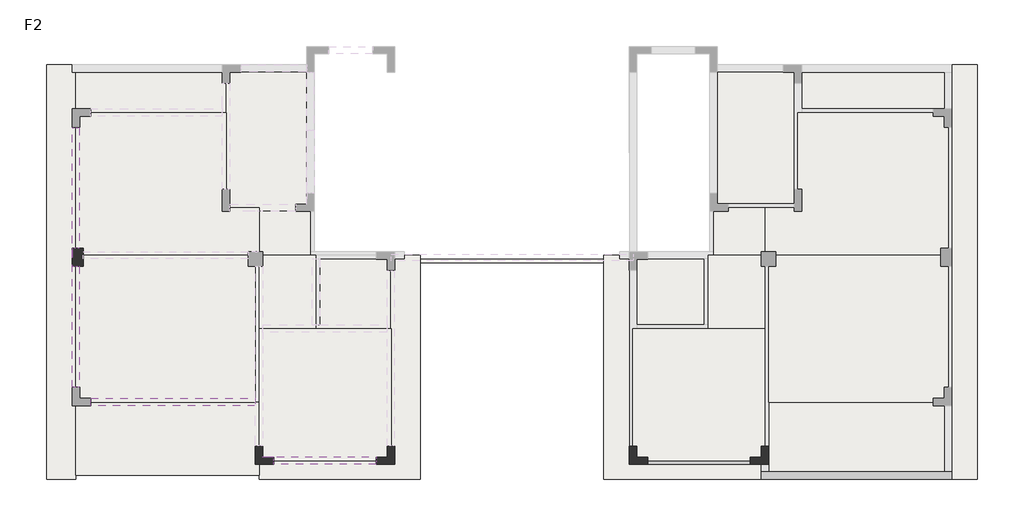
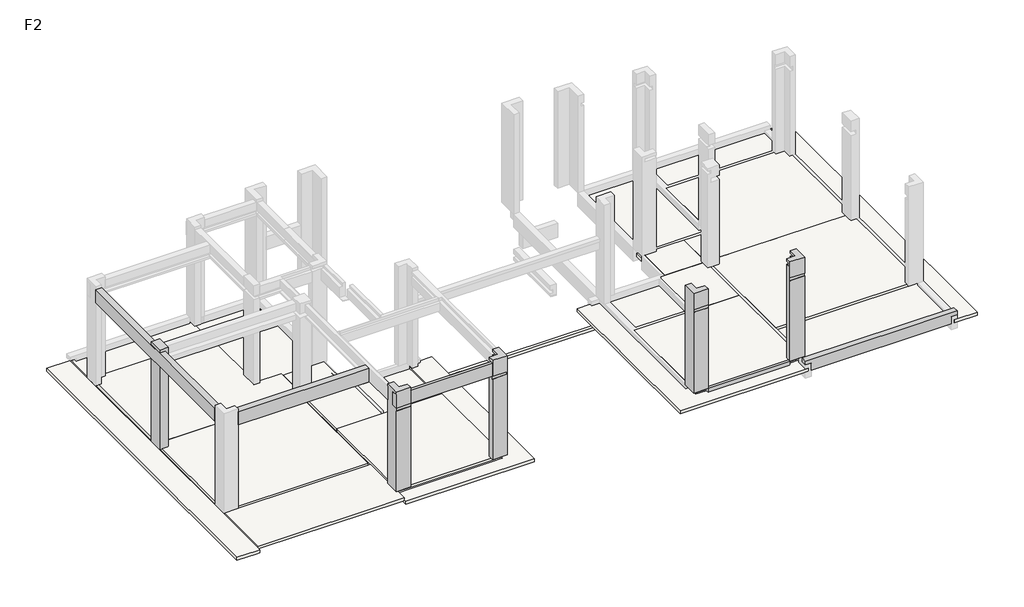
# One storey, part 1 of 3: 19 slabs, 5 beams, 5 columns.
"""IFC4 building model written with IfcOpenShell, lengths in millimetres."""

import ifcopenshell
import ifcopenshell.guid

model = None  # the IFC model being written
_history = None  # IfcOwnerHistory: only IFC2X3 demands one
_inside = {}  # id of a spatial element -> (the spatial element, [elements in it])
_under = {}  # id of a project, library or spatial element -> (it, [spatial elements below it])
_declared = {}  # id of a project -> (the project, [libraries it declares])
_typed = {}  # id of a type object -> (the type object, [elements of that type])
_made_of = {}  # id of a material, layer set ... -> (it, [elements and type objects made of it])


def new_model(schema):
    """Start an empty IFC model of exactly this schema.

    Asked for "IFC4X3", IfcOpenShell would pick the latest addendum, in which some entities
    have other attributes; the version numbers below select the first issue.
    IFC2X3 requires an IfcOwnerHistory on every rooted entity: one is made here for all.
    """
    global model, _history
    if schema == "IFC4X3":
        model = ifcopenshell.file(schema_version=(4, 3, 0, 0))
    else:
        model = ifcopenshell.file(schema=schema)
    _inside.clear()
    _under.clear()
    _declared.clear()
    _typed.clear()
    _made_of.clear()
    _history = None
    if model.schema == "IFC2X3":
        org = make("IfcOrganization", Name="unknown")
        user = make(
            "IfcPersonAndOrganization",
            ThePerson=make("IfcPerson", FamilyName="unknown"),
            TheOrganization=org,
        )
        app = make(
            "IfcApplication",
            ApplicationDeveloper=org,
            Version="unknown",
            ApplicationFullName="unknown",
            ApplicationIdentifier="unknown",
        )
        _history = make(
            "IfcOwnerHistory",
            OwningUser=user,
            OwningApplication=app,
            ChangeAction="ADDED",
            CreationDate=0,
        )
    return model


def make(cls, **values):
    """One entity of the class cls with the attributes given. An attribute that is None is left unset."""
    return model.create_entity(
        cls, **{name: value for name, value in values.items() if value is not None}
    )


def rooted(cls, **values):
    """An entity with a GlobalId (a new one), such as an element, a storey or a relation."""
    return make(cls, GlobalId=ifcopenshell.guid.new(), OwnerHistory=_history, **values)


def si_unit(unit_type, name, prefix=None):
    """IfcSIUnit, for example si_unit("LENGTHUNIT", "METRE", prefix="MILLI")."""
    return make("IfcSIUnit", UnitType=unit_type, Prefix=prefix, Name=name)


def assignment(units):
    """IfcUnitAssignment: the units of a project."""
    return None if units is None else make("IfcUnitAssignment", Units=units)


def point(xyz):
    """IfcCartesianPoint."""
    return None if xyz is None else make("IfcCartesianPoint", Coordinates=xyz)


def direction(xyz):
    """IfcDirection."""
    return None if xyz is None else make("IfcDirection", DirectionRatios=xyz)


def frame(location, z_axis=None, x_axis=None):
    """IfcAxis2Placement3D, a coordinate frame: its origin and axes. An axis left out is left unset."""
    return make(
        "IfcAxis2Placement3D",
        Location=point(location),
        Axis=direction(z_axis),
        RefDirection=direction(x_axis),
    )


def origin():
    """The frame at (0, 0, 0) with its axes left unset."""
    return frame((0.0, 0.0, 0.0))


def place(relative_to, where):
    """IfcLocalPlacement: puts the frame where relative to a parent placement (None: the world)."""
    return make(
        "IfcLocalPlacement", PlacementRelTo=relative_to, RelativePlacement=where
    )


def context(
    kind, dimensions, precision=None, world=None, true_north=None, identifier=None
):
    """IfcGeometricRepresentationContext, for example the 3D "Model" context."""
    return make(
        "IfcGeometricRepresentationContext",
        ContextIdentifier=identifier,
        ContextType=kind,
        CoordinateSpaceDimension=dimensions,
        Precision=precision,
        WorldCoordinateSystem=world,
        TrueNorth=true_north,
    )


def project(units=None, contexts=None):
    """IfcProject with its units and contexts."""
    return rooted(
        "IfcProject",
        Name="project",
        RepresentationContexts=contexts,
        UnitsInContext=assignment(units),
    )


def spatial(cls, under=None, at=None, **own):
    """A site, building, storey or space (cls), placed at a placement, below another one or the project."""
    s = rooted(cls, ObjectPlacement=at, **own)
    if under is not None:
        _under.setdefault(under.id(), (under, []))[1].append(s)
    return s


def polyline(points):
    """IfcPolyline through the points."""
    return make("IfcPolyline", Points=[point(p) for p in points])


def outline(outer, holes=None, kind="AREA"):
    """IfcArbitraryClosedProfileDef: a profile drawn as a closed curve; with holes, ...WithVoids."""
    if holes is None:
        return make("IfcArbitraryClosedProfileDef", ProfileType=kind, OuterCurve=outer)
    return make(
        "IfcArbitraryProfileDefWithVoids",
        ProfileType=kind,
        OuterCurve=outer,
        InnerCurves=holes,
    )


def extrude(swept, where, along, depth):
    """IfcExtrudedAreaSolid: the profile swept, set in the frame where, extruded along a direction by depth."""
    return make(
        "IfcExtrudedAreaSolid",
        SweptArea=swept,
        Position=where,
        ExtrudedDirection=direction(along),
        Depth=depth,
    )


def faces_of(points, faces, orient=None, outer=None):
    """IfcFace entities. A face is a list of loops; a loop is a list of indices into points, from 0.

    orient and outer hold one flag for each loop. By default every Orientation is true, the
    first loop of a face is its IfcFaceOuterBound and the others are IfcFaceBound.
    """
    made = []
    for i, loops in enumerate(faces):
        bounds = []
        for j, loop in enumerate(loops):
            is_outer = j == 0 if outer is None else outer[i][j]
            bounds.append(
                make(
                    "IfcFaceOuterBound" if is_outer else "IfcFaceBound",
                    Bound=make("IfcPolyLoop", Polygon=[points[k] for k in loop]),
                    Orientation=True if orient is None else orient[i][j],
                )
            )
        made.append(make("IfcFace", Bounds=bounds))
    return made


def faceted_brep(points, faces, orient=None, outer=None, voids=None):
    """IfcFacetedBrep: a solid bounded by flat faces; with voids (closed shells), ...WithVoids."""
    shared = [point(p) for p in points]
    hull = make("IfcClosedShell", CfsFaces=faces_of(shared, faces, orient, outer))
    if voids is None:
        return make("IfcFacetedBrep", Outer=hull)
    return make(
        "IfcFacetedBrepWithVoids",
        Outer=hull,
        Voids=[
            make(cls, CfsFaces=faces_of(shared, fs, o, b)) for cls, fs, o, b in voids
        ],
    )


def shape(context_of_items, identifier, shape_type, items):
    """IfcShapeRepresentation: the items that make up one representation, for example the "Body"."""
    return make(
        "IfcShapeRepresentation",
        ContextOfItems=context_of_items,
        RepresentationIdentifier=identifier,
        RepresentationType=shape_type,
        Items=items,
    )


def made_of(thing, what):
    """Note that an element or type object is made of a material, layer set ...; save() writes the relation."""
    if what is not None:
        _made_of.setdefault(what.id(), (what, []))[1].append(thing)
    return thing


def element(
    cls,
    number,
    at=None,
    inside=None,
    cuts=None,
    type_object=None,
    material=None,
    context=None,
    identifier="Body",
    shape_type=None,
    held_by="IfcProductDefinitionShape",
    body=None,
    shapes=None,
    **own,
):
    """One element of the class cls, such as IfcWall. Its Tag is "e" and its number.

    at: its placement. inside: the storey or other place that contains it. cuts: it is an
    opening in that element (IfcRelVoidsElement). A single representation is given by context,
    identifier, shape_type and body (its items); several are given by shapes. held_by: the class
    of the entity that holds the representations. save() writes the other relations.
    """
    e = rooted(cls, Tag="e%d" % number, ObjectPlacement=at, **own)
    if body is not None:
        shapes = [shape(context, identifier, shape_type, body)]
    if shapes is not None:
        e.Representation = make(held_by, Representations=shapes)
    if inside is not None:
        _inside.setdefault(inside.id(), (inside, []))[1].append(e)
    if cuts is not None:
        rooted(
            "IfcRelVoidsElement", RelatingBuildingElement=cuts, RelatedOpeningElement=e
        )
    if type_object is not None:
        _typed.setdefault(type_object.id(), (type_object, []))[1].append(e)
    return made_of(e, material)


def aggregate(whole, parts):
    """IfcRelAggregates: a whole, such as a stair, and the parts it consists of."""
    return rooted("IfcRelAggregates", RelatingObject=whole, RelatedObjects=parts)


def save(model, path):
    """Write the relations noted so far, then the file.

    IfcRelAggregates (storeys below a building ...), IfcRelContainedInSpatialStructure (elements
    in a storey), IfcRelDefinesByType, IfcRelAssociatesMaterial and IfcRelDeclares: one each for
    every whole, place, type object, material and project.
    """
    for whole, parts in _under.values():
        aggregate(whole, parts)
    for where, things in _inside.values():
        rooted(
            "IfcRelContainedInSpatialStructure",
            RelatedElements=things,
            RelatingStructure=where,
        )
    for kind, things in _typed.values():
        rooted("IfcRelDefinesByType", RelatedObjects=things, RelatingType=kind)
    for what, things in _made_of.values():
        rooted("IfcRelAssociatesMaterial", RelatedObjects=things, RelatingMaterial=what)
    for by, libraries in _declared.values():
        rooted("IfcRelDeclares", RelatingContext=by, RelatedDefinitions=libraries)
    model.write(path)


model = new_model("IFC4")

# Units and contexts
model_context = context("Model", 3, world=origin())
ifc_project = project(units=[si_unit("LENGTHUNIT", "METRE", prefix="MILLI")], contexts=[model_context])

# Site, building, storey
site = spatial("IfcSite", under=ifc_project)
building = spatial("IfcBuilding", under=site)
storey = spatial("IfcBuildingStorey", under=building, Name="F2", Elevation=3560.0)

# Beams
placement = place(None, origin())
element("IfcBeam", 1, at=placement, inside=storey, context=model_context, shape_type="Brep", body=[
    faceted_brep([(2632.0886236, -1948.3046203, 3700.0), (2632.0886236, -2148.3046203, 3700.0), (7836.2868177, -2148.3046203, 3700.0), (7836.2868177, -1948.3046203, 3700.0), (2632.0886236, -2148.3046203, 3560.0), (2832.0886236, -2148.3046203, 3560.0), (2832.0886236, -2148.3046203, 3300.0), (7636.2868177, -2148.3046203, 3300.0), (7636.2868177, -2148.3046203, 3560.0), (7836.2868177, -2148.3046203, 3560.0), (2832.0886236, -1948.3046203, 3300.0), (7636.2868177, -1948.3046203, 3300.0), (2832.0886236, -1948.3046203, 3380.0), (7636.2868177, -1948.3046203, 3380.0), (2632.0886236, -1948.3046203, 3560.0), (2832.0886236, -1948.3046203, 3560.0), (2832.0886236, -1948.3046203, 3480.0), (2832.0886236, -2048.3046203, 3480.0), (2832.0886236, -2048.3046203, 3380.0), (7636.2868177, -2048.3046203, 3380.0), (7636.2868177, -1948.3046203, 3480.0), (7636.2868177, -2048.3046203, 3480.0), (7636.2868177, -1948.3046203, 3560.0), (7836.2868177, -1948.3046203, 3560.0)], [[[0, 1, 2, 3]], [[2, 1, 4, 5, 6, 7, 8, 9]], [[6, 10, 11, 7]], [[10, 12, 13, 11]], [[14, 15, 5, 4]], [[10, 6, 5, 15, 16, 17, 18, 12]], [[12, 18, 19, 13]], [[17, 16, 20, 21]], [[18, 17, 21, 19]], [[8, 22, 23, 9]], [[22, 8, 7, 11, 13, 19, 21, 20]], [[15, 14, 0, 3, 23, 22, 20, 16]], [[1, 0, 14, 4]], [[3, 2, 9, 23]]]),
])
element("IfcBeam", 2, at=placement, inside=storey, context=model_context, shape_type="Brep", body=[
    faceted_brep([(2332.0511192, -1741.2496913, 3560.0), (2332.0511192, -1648.0607162, 3560.0), (-467.9488808, -1648.0607162, 3560.0), (-467.9488808, -1741.2496913, 3560.0), (2332.0511192, -1741.2496913, 3410.0), (-467.9488808, -1741.2496913, 3410.0), (2632.0886236, -1541.2496913, 3080.0), (2632.0886236, -1548.8070515, 3080.0), (2332.0511192, -1548.8070515, 3080.0), (2332.0511192, -1741.2496913, 3080.0), (-467.9488808, -1741.2496913, 3080.0), (-467.9488808, -1548.812102, 3080.0), (-767.9488808, -1548.812102, 3080.0), (-767.9488808, -1541.2496913, 3080.0), (2632.0886236, -1541.2496913, 3460.0), (-767.9488808, -1541.2496913, 3460.0), (2332.0511192, -1648.812102, 3410.0), (-467.9488808, -1648.812102, 3410.0), (2332.0511192, -1648.812102, 3300.0), (-467.9488808, -1648.812102, 3300.0), (2332.0511192, -1741.2496913, 3300.0), (-467.9488808, -1741.2496913, 3300.0), (2632.0886236, -1548.8070515, 3460.0), (-767.9488808, -1548.812102, 3460.0), (-467.9488808, -1548.812102, 3460.0), (-467.9488808, -1648.0607162, 3460.0), (2332.0511192, -1648.0607162, 3460.0), (2332.0511192, -1548.8070515, 3460.0)], [[[0, 1, 2, 3]], [[4, 0, 3, 5]], [[6, 7, 8, 9, 10, 11, 12, 13]], [[14, 6, 13, 15]], [[16, 4, 5, 17]], [[18, 16, 17, 19]], [[20, 18, 19, 21]], [[22, 14, 15, 23, 24, 25, 26, 27]], [[1, 26, 25, 2]], [[6, 14, 22, 7]], [[9, 20, 21, 10]], [[27, 8, 7, 22]], [[8, 27, 26, 1, 0, 4, 16, 18, 20, 9]], [[12, 23, 15, 13]], [[23, 12, 11, 24]], [[24, 11, 10, 21, 19, 17, 5, 3, 2, 25]]]),
])
element("IfcBeam", 3, ObjectType="KL4 200 x 480 mm", at=placement, inside=storey, context=model_context, shape_type="Brep", body=[
    faceted_brep([(-7876.6077811, -1741.2496913, 7060.0), (-7876.6077811, -1648.0607162, 7060.0), (-10667.9488808, -1648.0607162, 7060.0), (-10667.9488808, -1741.2496913, 7060.0), (-7876.6077811, -1741.2496913, 6580.0), (-10667.9488808, -1741.2496913, 6580.0), (-7876.6077811, -1541.2496913, 6580.0), (-10667.9488808, -1548.8070515, 6580.0), (-10967.9488808, -1548.8070515, 6580.0), (-10967.9488808, -1541.2496913, 6580.0), (-7876.6077811, -1541.2496913, 6960.0), (-10967.9488808, -1541.2496913, 6960.0), (-7876.6077811, -1648.0607162, 6960.0), (-10967.9488808, -1548.8070515, 6960.0), (-10667.9488808, -1548.8070515, 6960.0), (-10667.9488808, -1648.0607162, 6960.0)], [[[0, 1, 2, 3]], [[4, 0, 3, 5]], [[6, 4, 5, 7, 8, 9]], [[10, 6, 9, 11]], [[12, 10, 11, 13, 14, 15]], [[1, 12, 15, 2]], [[0, 4, 6, 10, 12, 1]], [[8, 13, 11, 9]], [[13, 8, 7, 14]], [[14, 7, 5, 3, 2, 15]]]),
    faceted_brep([(-11172.1847994, -1741.2496913, 7060.0), (-11172.1847994, -1541.2496913, 7060.0), (-11172.1847994, -1541.2496913, 6580.0), (-11172.1847994, -1741.2496913, 6580.0), (-11167.9488808, -1541.2496913, 7060.0), (-11167.9488808, -1741.2496913, 7060.0), (-11167.9488808, -1741.2496913, 6580.0), (-11167.9488808, -1541.2496913, 6580.0)], [[[0, 1, 2, 3]], [[4, 5, 6, 7]], [[1, 0, 5, 4]], [[0, 3, 6, 5]], [[3, 2, 7, 6]], [[2, 1, 4, 7]]]),
])
element("IfcBeam", 4, ObjectType="WKL6 200 x 480 mm", at=placement, inside=storey, context=model_context, shape_type="SweptSolid", body=[
    extrude(outline(polyline([(-148.812102, 7060.0), (51.187898, 7060.0), (51.187898, 6780.0), (-48.812102, 6780.0), (-48.812102, 6640.0), (51.187898, 6640.0), (51.187898, 6580.0), (-148.812102, 6580.0), (-148.812102, 7060.0)])), frame((-15667.9488808, 0.0, 0.0), z_axis=(1.0, 0.0, 0.0), x_axis=(0.0, 1.0, 0.0)), (0.0, 0.0, 1.0), 4495.7640813),
])
element("IfcBeam", 5, ObjectType="WKL7 200 x 480 mm", at=placement, inside=storey, context=model_context, shape_type="Brep", body=[
    faceted_brep([(-15972.1845793, 351.187898, 7060.0), (-16172.1845793, 351.187898, 7060.0), (-16172.1845793, 351.187898, 6580.0), (-15972.1845793, 351.187898, 6580.0), (-15972.1845793, 351.187898, 6640.0), (-16067.9488808, 351.187898, 6640.0), (-16067.9488808, 351.187898, 6780.0), (-15972.1845793, 351.187898, 6780.0), (-15972.1845793, 7438.487898, 6580.0), (-16172.1845793, 7438.487898, 6580.0), (-16172.1845793, 7438.487898, 7060.0), (-15972.1845793, 7438.487898, 7060.0), (-15972.1845793, 7438.487898, 6780.0), (-16067.9488808, 7438.487898, 6780.0), (-16067.9488808, 7438.487898, 6640.0), (-15972.1845793, 7438.487898, 6640.0), (-15972.1845793, 3651.1929535, 7060.0), (-16167.9082316, 3651.1929535, 7060.0), (-16167.9082316, 4151.1929535, 7060.0), (-15972.1845793, 4151.1929535, 7060.0), (-15972.1845793, 4151.1929535, 6580.0), (-16167.9082316, 4151.1929535, 6580.0), (-16167.9082316, 3651.1929535, 6580.0), (-15972.1845793, 3651.1929535, 6580.0), (-15972.1845793, 3651.1929535, 6780.0), (-16067.9488808, 4151.1929535, 6640.0), (-15972.1845793, 4151.1929535, 6640.0), (-15972.1845793, 4151.1929535, 6780.0), (-16067.9488808, 4151.1929535, 6780.0), (-16067.9488808, 3651.1929535, 6640.0), (-16067.9488808, 3651.1929535, 6780.0), (-15972.1845793, 3651.1929535, 6640.0)], [[[0, 1, 2, 3, 4, 5, 6, 7]], [[8, 9, 10, 11, 12, 13, 14, 15]], [[1, 0, 16, 17, 18, 19, 11, 10]], [[2, 1, 10, 9]], [[3, 2, 9, 8, 20, 21, 22, 23]], [[0, 7, 24, 16]], [[15, 14, 25, 26]], [[13, 12, 27, 28]], [[6, 5, 29, 30]], [[4, 3, 23, 31]], [[21, 18, 17, 22]], [[18, 21, 20, 26, 25, 28, 27, 19]], [[22, 17, 16, 24, 30, 29, 31, 23]], [[12, 11, 19, 27]], [[5, 4, 31, 29]], [[7, 6, 30, 24]], [[14, 13, 28, 25]], [[8, 15, 26, 20]]]),
])

# Columns
element("IfcColumn", 6, ObjectType="KZ-4", at=placement, inside=storey, context=model_context, shape_type="Brep", body=[
    faceted_brep([(-11167.9488808, -1248.8070515, 3560.0), (-10967.9488808, -1248.8070515, 3560.0), (-10967.9488808, -1548.8070515, 3560.0), (-10667.9488808, -1548.8070515, 3560.0), (-10667.9488808, -1748.8070515, 3560.0), (-11167.9488808, -1748.8070515, 3560.0), (-11167.9488808, -1248.8070515, 7160.0), (-10967.9488808, -1248.8070515, 7160.0), (-10967.9488808, -1248.8070515, 7060.0), (-11068.0854822, -1248.8070515, 7060.0), (-11068.0854822, -1248.8070515, 6960.0), (-10967.9488808, -1248.8070515, 6960.0), (-10967.9488808, -1548.8070515, 7160.0), (-10967.9488808, -1548.8070515, 7060.0), (-10667.9488808, -1548.8070515, 7160.0), (-10667.9488808, -1548.8070515, 7060.0), (-10667.9488808, -1548.8070515, 6580.0), (-10667.9488808, -1548.8070515, 6960.0), (-10667.9488808, -1648.0607162, 6960.0), (-10667.9488808, -1648.0607162, 7060.0), (-10667.9488808, -1748.8070515, 7160.0), (-10667.9488808, -1748.8070515, 6580.0), (-10667.9488808, -1741.2496913, 6580.0), (-10667.9488808, -1741.2496913, 6480.0), (-10667.9488808, -1748.8070515, 6480.0), (-11167.9488808, -1748.8070515, 7160.0), (-11167.9488808, -1748.8070515, 6580.0), (-11167.9488808, -1748.8070515, 6480.0), (-11167.9488808, -1741.2496913, 6480.0), (-11167.9488808, -1741.2496913, 6580.0), (-11068.0854822, -1648.0607162, 6960.0), (-10967.9488808, -1548.8070515, 6960.0), (-10967.9488808, -1541.2496913, 6960.0), (-11068.0854822, -1648.0607162, 7060.0), (-10967.9488808, -1548.8070515, 6580.0)], [[[0, 1, 2, 3, 4, 5]], [[1, 0, 6, 7, 8, 9, 10, 11]], [[7, 12, 13, 8]], [[12, 14, 15, 13]], [[4, 3, 16, 17, 18, 19, 15, 14, 20, 21, 22, 23, 24]], [[20, 25, 26, 21]], [[0, 5, 27, 28, 29, 26, 25, 6]], [[7, 6, 25, 20, 14, 12]], [[23, 28, 27, 24]], [[29, 22, 21, 26]], [[28, 23, 22, 29]], [[5, 4, 24, 27]], [[10, 30, 18, 17, 31, 32, 11]], [[19, 33, 9, 8, 13, 15]], [[30, 33, 19, 18]], [[33, 30, 10, 9]], [[2, 1, 11, 32, 31, 34]], [[3, 2, 34, 31, 17, 16]]]),
])
element("IfcColumn", 7, ObjectType="KZ-4", at=placement, inside=storey, context=model_context, shape_type="Brep", body=[
    faceted_brep([(-7567.9488808, -1248.812102, 3560.0), (-7367.9488808, -1248.812102, 3560.0), (-7367.9488808, -1748.812102, 3560.0), (-7867.9488808, -1748.812102, 3560.0), (-7867.9488808, -1548.812102, 3560.0), (-7567.9488808, -1548.812102, 3560.0), (-7567.9488808, -1248.812102, 6960.0), (-7468.0210684, -1248.812102, 6960.0), (-7468.0210684, -1248.812102, 7060.0), (-7567.9488808, -1248.812102, 7060.0), (-7567.9488808, -1248.812102, 7160.0), (-7367.9488808, -1248.812102, 7160.0), (-7567.9488808, -1548.812102, 7160.0), (-7567.9488808, -1548.812102, 7060.0), (-7867.9488808, -1548.812102, 7160.0), (-7867.9488808, -1548.812102, 7060.0), (-7867.9488808, -1748.812102, 6480.0), (-7867.9488808, -1741.2496913, 6480.0), (-7867.9488808, -1741.2496913, 6580.0), (-7867.9488808, -1748.812102, 6580.0), (-7867.9488808, -1748.812102, 7160.0), (-7867.9488808, -1648.0607162, 7060.0), (-7867.9488808, -1648.0607162, 6960.0), (-7867.9488808, -1548.812102, 6960.0), (-7367.9488808, -1748.812102, 7160.0), (-7376.6077811, -1748.812102, 6580.0), (-7376.6077811, -1748.812102, 6480.0), (-7376.6077811, -1741.2496913, 6480.0), (-7376.6077811, -1741.2496913, 6580.0), (-7468.0210684, -1648.0607162, 6960.0), (-7567.9488808, -1548.812102, 6960.0), (-7468.0210684, -1648.0607162, 7060.0)], [[[0, 1, 2, 3, 4, 5]], [[1, 0, 6, 7, 8, 9, 10, 11]], [[12, 10, 9, 13]], [[14, 12, 13, 15]], [[4, 3, 16, 17, 18, 19, 20, 14, 15, 21, 22, 23]], [[3, 2, 24, 20, 19, 25, 26, 16]], [[2, 1, 11, 24]], [[11, 10, 12, 14, 20, 24]], [[27, 17, 16, 26]], [[28, 25, 19, 18]], [[28, 27, 26, 25]], [[27, 28, 18, 17]], [[22, 29, 7, 6, 30, 23]], [[8, 31, 21, 15, 13, 9]], [[29, 31, 8, 7]], [[31, 29, 22, 21]], [[0, 5, 30, 6]], [[5, 4, 23, 30]]]),
])
element("IfcColumn", 8, ObjectType="KZ-4", at=placement, inside=storey, context=model_context, shape_type="Brep", body=[
    faceted_brep([(2632.0511192, -1248.8070515, 3560.0), (2832.0511192, -1248.8070515, 3560.0), (2832.0511192, -1748.8070515, 3560.0), (2332.0511192, -1748.8070515, 3560.0), (2332.0511192, -1548.8070515, 3560.0), (2632.0511192, -1548.8070515, 3560.0), (2632.0511192, -1248.8070515, 6960.0), (2732.1877207, -1248.8070515, 6960.0), (2732.1877207, -1248.8070515, 7060.0), (2632.0511192, -1248.8070515, 7060.0), (2632.0511192, -1248.8070515, 7160.0), (2832.0511192, -1248.8070515, 7160.0), (2632.0511192, -1548.8070515, 7160.0), (2632.0511192, -1548.8070515, 7060.0), (2332.0511192, -1548.8070515, 7160.0), (2332.0511192, -1548.8070515, 7060.0), (2332.0511192, -1748.8070515, 6480.0), (2332.0511192, -1741.2496913, 6480.0), (2332.0511192, -1741.2496913, 6580.0), (2332.0511192, -1748.8070515, 6580.0), (2332.0511192, -1748.8070515, 7160.0), (2332.0511192, -1648.0607162, 7060.0), (2332.0511192, -1648.0607162, 6960.0), (2332.0511192, -1548.8070515, 6960.0), (2332.0511192, -1548.8070515, 6580.0), (2832.0511192, -1748.8070515, 7160.0), (2832.0511192, -1748.8070515, 6580.0), (2832.0511192, -1741.2496913, 6580.0), (2832.0511192, -1741.2496913, 6480.0), (2832.0511192, -1748.8070515, 6480.0), (2732.1877207, -1648.0607162, 6960.0), (2632.0511192, -1541.2496913, 6960.0), (2632.0511192, -1548.8070515, 6960.0), (2732.1877207, -1648.0607162, 7060.0), (2632.0511192, -1548.8070515, 6580.0)], [[[0, 1, 2, 3, 4, 5]], [[1, 0, 6, 7, 8, 9, 10, 11]], [[12, 10, 9, 13]], [[14, 12, 13, 15]], [[4, 3, 16, 17, 18, 19, 20, 14, 15, 21, 22, 23, 24]], [[25, 20, 19, 26]], [[2, 1, 11, 25, 26, 27, 28, 29]], [[11, 10, 12, 14, 20, 25]], [[28, 17, 16, 29]], [[18, 27, 26, 19]], [[17, 28, 27, 18]], [[3, 2, 29, 16]], [[22, 30, 7, 6, 31, 32, 23]], [[8, 33, 21, 15, 13, 9]], [[33, 30, 22, 21]], [[30, 33, 8, 7]], [[0, 5, 34, 32, 31, 6]], [[5, 4, 24, 23, 32, 34]]]),
])
element("IfcColumn", 9, ObjectType="KZ-4", at=placement, inside=storey, context=model_context, shape_type="Brep", body=[
    faceted_brep([(-967.9488808, -1248.812102, 3560.0), (-767.9488808, -1248.812102, 3560.0), (-767.9488808, -1548.812102, 3560.0), (-467.9488808, -1548.812102, 3560.0), (-467.9488808, -1748.812102, 3560.0), (-967.9488808, -1748.812102, 3560.0), (-967.9488808, -1248.812102, 7160.0), (-767.9488808, -1248.812102, 7160.0), (-767.9488808, -1248.812102, 7060.0), (-867.8766931, -1248.812102, 7060.0), (-867.8766931, -1248.812102, 6960.0), (-767.9488808, -1248.812102, 6960.0), (-767.9488808, -1548.812102, 7160.0), (-767.9488808, -1548.812102, 7060.0), (-467.9488808, -1548.812102, 7160.0), (-467.9488808, -1548.812102, 7060.0), (-467.9488808, -1548.812102, 6960.0), (-467.9488808, -1648.0607162, 6960.0), (-467.9488808, -1648.0607162, 7060.0), (-467.9488808, -1748.812102, 7160.0), (-467.9488808, -1748.812102, 6580.0), (-467.9488808, -1741.2496913, 6580.0), (-467.9488808, -1741.2496913, 6480.0), (-467.9488808, -1748.812102, 6480.0), (-959.2899804, -1748.812102, 6480.0), (-959.2899804, -1748.812102, 6580.0), (-967.9488808, -1748.812102, 7160.0), (-959.2899804, -1741.2496913, 6480.0), (-959.2899804, -1741.2496913, 6580.0), (-867.8766931, -1648.0607162, 6960.0), (-767.9488808, -1548.812102, 6960.0), (-867.8766931, -1648.0607162, 7060.0)], [[[0, 1, 2, 3, 4, 5]], [[1, 0, 6, 7, 8, 9, 10, 11]], [[7, 12, 13, 8]], [[12, 14, 15, 13]], [[4, 3, 16, 17, 18, 15, 14, 19, 20, 21, 22, 23]], [[5, 4, 23, 24, 25, 20, 19, 26]], [[0, 5, 26, 6]], [[7, 6, 26, 19, 14, 12]], [[27, 24, 23, 22]], [[28, 21, 20, 25]], [[27, 28, 25, 24]], [[28, 27, 22, 21]], [[10, 29, 17, 16, 30, 11]], [[18, 31, 9, 8, 13, 15]], [[31, 29, 10, 9]], [[29, 31, 18, 17]], [[2, 1, 11, 30]], [[3, 2, 30, 16]]]),
])
element("IfcColumn", 10, ObjectType="KZ-5", at=placement, inside=storey, context=model_context, shape_type="Brep", body=[
    faceted_brep([(-16167.9082316, 3651.1929535, 3560.0), (-16167.9082316, 4151.1929535, 3560.0), (-15867.9082316, 4151.1929535, 3560.0), (-15867.9082316, 3651.1929535, 3560.0), (-16167.9082316, 3651.1929535, 6580.0), (-16167.9082316, 3651.1929535, 7060.0), (-16167.9082316, 3651.1929535, 7160.0), (-16167.9082316, 4151.1929535, 7160.0), (-16167.9082316, 4151.1929535, 7060.0), (-16167.9082316, 4151.1929535, 6580.0), (-15867.9082316, 4151.1929535, 7160.0), (-15867.9082316, 4151.1929535, 6780.0), (-15972.1845793, 4151.1929535, 6780.0), (-16067.9488808, 4151.1929535, 6780.0), (-16067.9488808, 4151.1929535, 6640.0), (-15972.1845793, 4151.1929535, 6640.0), (-15867.9082316, 4151.1929535, 6640.0), (-15867.9082316, 3651.1929535, 7160.0), (-15867.9082316, 3651.1929535, 6780.0), (-15867.9082316, 3858.7452581, 6780.0), (-15867.9082316, 4058.7452581, 6780.0), (-15867.9082316, 3651.1929535, 6640.0), (-15972.1845793, 3651.1929535, 6640.0), (-16067.9488808, 3651.1929535, 6640.0), (-16067.9488808, 3651.1929535, 6780.0), (-15972.1845793, 3651.1929535, 6780.0), (-16067.9488808, 3958.7452581, 6640.0), (-16067.9488808, 3951.187898, 6640.0), (-15867.9082316, 3858.7452581, 6640.0), (-15867.9082316, 4058.7452581, 6640.0), (-16067.9488808, 3951.187898, 6780.0), (-16067.9488808, 3958.7452581, 6780.0)], [[[0, 1, 2, 3]], [[1, 0, 4, 5, 6, 7, 8, 9]], [[2, 1, 9, 8, 7, 10, 11, 12, 13, 14, 15, 16]], [[10, 17, 18, 19, 20, 11]], [[0, 3, 21, 22, 23, 24, 25, 18, 17, 6, 5, 4]], [[7, 6, 17, 10]], [[16, 15, 14, 26, 27, 23, 22, 21, 28, 29]], [[13, 12, 11, 20, 19, 18, 25, 24, 30, 31]], [[23, 27, 26, 14, 13, 31, 30, 24]], [[3, 2, 16, 29, 28, 21]]]),
])

# Slabs
element("IfcSlab", 11, at=placement, inside=storey, context=model_context, shape_type="Brep", body=[
    faceted_brep([(-16072.1845793, 9151.9392838, 3300.0), (-16072.1845793, 9151.6953797, 3300.0), (-16072.1845793, 7951.187898, 3300.0), (-16072.1845793, 7451.187898, 3300.0), (-16072.1845793, 4151.1929535, 3300.0), (-16072.1845793, 3651.1929535, 3300.0), (-16072.1845793, 351.187898, 3300.0), (-16072.1845793, -148.812102, 3300.0), (-16072.1845793, -2148.3046203, 3300.0), (-16172.1845793, -2148.3046203, 3300.0), (-16867.8215881, -2148.3046203, 3300.0), (-16867.8215881, 9151.9392838, 3300.0), (-16072.1845793, 9151.9392838, 3410.0), (-16867.8215881, 9151.9392838, 3410.0), (-16867.8215881, -2148.3046203, 3410.0), (-16172.1845793, -2148.3046203, 3410.0), (-16072.1845793, -2148.3046203, 3410.0), (-16072.1845793, -148.812102, 3410.0), (-16072.1845793, 351.187898, 3410.0), (-16072.1845793, 3651.1929535, 3410.0), (-16072.1845793, 4151.1929535, 3410.0), (-16072.1845793, 7451.187898, 3410.0), (-16072.1845793, 7951.187898, 3410.0), (-16072.1845793, 9151.6953797, 3410.0)], [[[0, 1, 2, 3, 4, 5, 6, 7, 8, 9, 10, 11]], [[12, 13, 14, 15, 16, 17, 18, 19, 20, 21, 22, 23]], [[8, 7, 6, 5, 4, 3, 2, 1, 0, 12, 23, 22, 21, 20, 19, 18, 17, 16]], [[10, 9, 8, 16, 15, 14]], [[11, 10, 14, 13]], [[0, 11, 13, 12]]]),
])
element("IfcSlab", 12, at=placement, inside=storey, context=model_context, shape_type="Brep", body=[
    faceted_brep([(-6667.8359555, -2148.0557597, 3300.0), (-10967.9863851, -2148.0557597, 3300.0), (-11067.9488808, -2148.0557597, 3300.0), (-11067.9488808, -1748.8070515, 3300.0), (-11067.9488808, -1648.812102, 3300.0), (-10667.9488808, -1648.812102, 3300.0), (-7867.9488808, -1648.812102, 3300.0), (-7477.9507841, -1648.812102, 3300.0), (-7477.9507841, -1248.812102, 3300.0), (-7477.9507841, 3858.7452581, 3300.0), (-7477.9507841, 3951.187898, 3300.0), (-7112.1845793, 3951.187898, 3300.0), (-6667.8359555, 3951.187898, 3300.0), (-6667.8359555, -2148.0557597, 3410.0), (-6667.8359555, 3951.187898, 3410.0), (-7112.1845793, 3951.187898, 3410.0), (-7477.9507841, 3951.187898, 3410.0), (-7477.9507841, 3858.7452581, 3410.0), (-7477.9507841, -1248.812102, 3410.0), (-7477.9507841, -1648.812102, 3410.0), (-7867.9488808, -1648.812102, 3410.0), (-10667.9488808, -1648.812102, 3410.0), (-11067.9488808, -1648.812102, 3410.0), (-11067.9488808, -1748.8070515, 3410.0), (-11067.9488808, -2148.0557597, 3410.0), (-10967.9863851, -2148.0557597, 3410.0), (-11067.9488808, -1648.812102, 3380.0)], [[[0, 1, 2, 3, 4, 5, 6, 7, 8, 9, 10, 11, 12]], [[13, 14, 15, 16, 17, 18, 19, 20, 21, 22, 23, 24, 25]], [[2, 1, 0, 13, 25, 24]], [[4, 3, 2, 24, 23, 22, 26]], [[7, 6, 5, 4, 26, 22, 21, 20, 19]], [[10, 9, 8, 7, 19, 18, 17, 16]], [[12, 11, 10, 16, 15, 14]], [[0, 12, 14, 13]]]),
])
element("IfcSlab", 13, at=placement, inside=storey, context=model_context, shape_type="SweptSolid", body=[
    extrude(outline(polyline([(-967.985891, 3851.187898), (-967.985891, 3751.187898), (-7367.9118706, 3751.187898), (-7367.9118706, 3851.187898), (-967.985891, 3851.187898)])), frame((0.0, 0.0, 2600.0), z_axis=(0.0, 0.0, 1.0), x_axis=(1.0, 0.0, 0.0)), (0.0, 0.0, 1.0), 100.0),
])
element("IfcSlab", 14, at=placement, inside=storey, context=model_context, shape_type="Brep", body=[
    faceted_brep([(7736.2868177, 9151.9392838, 3300.0), (8531.9238265, 9151.9392838, 3300.0), (8531.9238265, -2148.3046203, 3300.0), (7836.2868177, -2148.3046203, 3300.0), (7736.2868177, -2148.3046203, 3300.0), (7736.2868177, -148.812102, 3300.0), (7736.2868177, 351.187898, 3300.0), (7736.2868177, 3651.1929535, 3300.0), (7736.2868177, 4151.1929535, 3300.0), (7736.2868177, 7451.187898, 3300.0), (7736.2868177, 7951.187898, 3300.0), (7736.2868177, 9151.6953797, 3300.0), (7736.2868177, 9151.9392838, 3410.0), (7736.2868177, 9151.6953797, 3410.0), (7736.2868177, 7951.187898, 3410.0), (7736.2868177, 7451.187898, 3410.0), (7736.2868177, 4151.1929535, 3410.0), (7736.2868177, 3651.1929535, 3410.0), (7736.2868177, 351.187898, 3410.0), (7736.2868177, -148.812102, 3410.0), (7736.2868177, -2148.3046203, 3410.0), (7836.2868177, -2148.3046203, 3410.0), (8531.9238265, -2148.3046203, 3410.0), (8531.9238265, 9151.9392838, 3410.0)], [[[0, 1, 2, 3, 4, 5, 6, 7, 8, 9, 10, 11]], [[12, 13, 14, 15, 16, 17, 18, 19, 20, 21, 22, 23]], [[0, 11, 10, 9, 8, 7, 6, 5, 4, 20, 19, 18, 17, 16, 15, 14, 13, 12]], [[4, 3, 2, 22, 21, 20]], [[2, 1, 23, 22]], [[1, 0, 12, 23]]]),
])
element("IfcSlab", 15, at=placement, inside=storey, context=model_context, shape_type="Brep", body=[
    faceted_brep([(-1668.061806, -2148.0557597, 3300.0), (-1668.061806, 3951.187898, 3300.0), (-1223.7131823, 3951.187898, 3300.0), (-867.9488808, 3951.187898, 3300.0), (-857.9469775, 3951.187898, 3300.0), (-857.9469775, -1248.812102, 3300.0), (-857.9469775, -1648.812102, 3300.0), (-467.9488808, -1648.812102, 3300.0), (2332.0511192, -1648.812102, 3300.0), (2732.0511192, -1648.812102, 3300.0), (2732.0511192, -1748.8070515, 3300.0), (2732.0511192, -2148.0557597, 3300.0), (2632.0886236, -2148.0557597, 3300.0), (-1668.061806, -2148.0557597, 3410.0), (2632.0886236, -2148.0557597, 3410.0), (2732.0511192, -2148.0557597, 3410.0), (2732.0511192, -1748.8070515, 3410.0), (2732.0511192, -1648.812102, 3410.0), (2332.0511192, -1648.812102, 3410.0), (-467.9488808, -1648.812102, 3410.0), (-857.9469775, -1648.812102, 3410.0), (-857.9469775, -1248.812102, 3410.0), (-857.9469775, 3858.7452581, 3410.0), (-857.9469775, 3951.187898, 3410.0), (-1223.7131823, 3951.187898, 3410.0), (-1668.061806, 3951.187898, 3410.0), (2732.0511192, -1648.812102, 3380.0), (-857.9469775, 3951.187898, 3330.0)], [[[0, 1, 2, 3, 4, 5, 6, 7, 8, 9, 10, 11, 12]], [[13, 14, 15, 16, 17, 18, 19, 20, 21, 22, 23, 24, 25]], [[0, 12, 11, 15, 14, 13]], [[11, 10, 9, 26, 17, 16, 15]], [[9, 8, 7, 6, 20, 19, 18, 17, 26]], [[6, 5, 4, 27, 23, 22, 21, 20]], [[4, 3, 2, 1, 25, 24, 23, 27]], [[1, 0, 13, 25]]]),
])
element("IfcSlab", 16, ObjectType="B-100", at=placement, inside=storey, context=model_context, shape_type="Brep", body=[
    faceted_brep([(-11972.1863676, 9051.6953797, 3380.0), (-11972.1863676, 8651.1979011, 3380.0), (-11972.1863676, 7851.187898, 3380.0), (-12072.1863676, 7851.187898, 3380.0), (-15667.9082317, 7851.187898, 3380.0), (-16071.6854735, 7851.187898, 3380.0), (-16071.6854735, 7951.187898, 3380.0), (-16071.6854735, 9051.6953797, 3380.0), (-15972.1845793, 9051.6953797, 3380.0), (-12072.1863676, 9051.6953797, 3380.0), (-12067.9488808, 9051.6953797, 3380.0), (-11972.1863676, 9051.6953797, 3480.0), (-12067.9488808, 9051.6953797, 3480.0), (-12072.1863676, 9051.6953797, 3480.0), (-15972.1845793, 9051.6953797, 3480.0), (-16071.6854735, 9051.6953797, 3480.0), (-16071.6854735, 7951.187898, 3480.0), (-16071.6854735, 7851.187898, 3480.0), (-16067.9488808, 7851.187898, 3480.0), (-15667.9082317, 7851.187898, 3480.0), (-12072.1863676, 7851.187898, 3480.0), (-11972.1863676, 7851.187898, 3480.0), (-11972.1863676, 8651.1979011, 3480.0)], [[[0, 1, 2, 3, 4, 5, 6, 7, 8, 9, 10]], [[11, 12, 13, 14, 15, 16, 17, 18, 19, 20, 21, 22]], [[2, 1, 0, 11, 22, 21]], [[5, 4, 3, 2, 21, 20, 19, 18, 17]], [[7, 6, 5, 17, 16, 15]], [[0, 10, 9, 8, 7, 15, 14, 13, 12, 11]]]),
    faceted_brep([(-11068.0854822, -48.812102, 3380.0), (-11068.0854822, -1248.8070515, 3380.0), (-11068.0854822, -1648.812102, 3380.0), (-11068.0854822, -2048.3046203, 3380.0), (-11167.9863851, -2048.3046203, 3380.0), (-15972.1845793, -2048.3046203, 3380.0), (-16067.9488808, -2048.3046203, 3380.0), (-16067.9488808, -148.812102, 3380.0), (-16067.9488808, -48.812102, 3380.0), (-15667.9488808, -48.812102, 3380.0), (-11167.9863851, -48.812102, 3380.0), (-11068.0854822, -48.812102, 3480.0), (-11167.9863851, -48.812102, 3480.0), (-15667.9488808, -48.812102, 3480.0), (-16067.9488808, -48.812102, 3480.0), (-16067.9488808, -148.812102, 3480.0), (-16067.9488808, -2048.3046203, 3480.0), (-15972.1845793, -2048.3046203, 3480.0), (-11167.9863851, -2048.3046203, 3480.0), (-11068.0854822, -2048.3046203, 3480.0), (-11068.0854822, -1748.8070515, 3480.0), (-11068.0854822, -1248.8070515, 3480.0), (-16067.9488808, -48.812102, 3460.0)], [[[0, 1, 2, 3, 4, 5, 6, 7, 8, 9, 10]], [[11, 12, 13, 14, 15, 16, 17, 18, 19, 20, 21]], [[3, 2, 1, 0, 11, 21, 20, 19]], [[6, 5, 4, 3, 19, 18, 17, 16]], [[8, 7, 6, 16, 15, 14, 22]], [[0, 10, 9, 8, 22, 14, 13, 12, 11]]]),
])
element("IfcSlab", 17, ObjectType="B-100", at=placement, inside=storey, context=model_context, shape_type="Brep", body=[
    faceted_brep([(-9672.0638644, 8943.6404471, 3230.0), (-9672.0638644, 5151.1928559, 3230.0), (-10967.9863851, 5151.1928559, 3230.0), (-11167.9863851, 5151.1928559, 3230.0), (-11967.9488808, 5151.1928559, 3230.0), (-11967.9488808, 8651.1979011, 3230.0), (-11967.9488808, 8943.6404471, 3230.0), (-11867.9488808, 8943.6404471, 3230.0), (-9672.0638644, 8943.6404471, 3330.0), (-11867.9488808, 8943.6404471, 3330.0), (-11967.9488808, 8943.6404471, 3330.0), (-11967.9488808, 8651.1979011, 3330.0), (-11967.9488808, 5151.1928559, 3330.0), (-11167.9863851, 5151.1928559, 3330.0), (-10967.9863851, 5151.1928559, 3330.0), (-9672.0638644, 5151.1928559, 3330.0)], [[[0, 1, 2, 3, 4, 5, 6, 7]], [[8, 9, 10, 11, 12, 13, 14, 15]], [[1, 0, 8, 15]], [[4, 3, 2, 1, 15, 14, 13, 12]], [[6, 5, 4, 12, 11, 10]], [[0, 7, 6, 10, 9, 8]]]),
    faceted_brep([(-7467.9488808, 3843.630444, 3230.0), (-7467.9488808, 1843.630444, 3230.0), (-9517.9507841, 1843.630444, 3230.0), (-9517.9507841, 1858.7503086, 3230.0), (-9517.9507841, 2058.7503086, 3230.0), (-9517.9507841, 3843.630444, 3230.0), (-9417.9507841, 3843.630444, 3230.0), (-7467.9488808, 3843.630444, 3330.0), (-9417.9507841, 3843.630444, 3330.0), (-9517.9507841, 3843.630444, 3330.0), (-9517.9507841, 2058.7503086, 3330.0), (-9517.9507841, 1858.7503086, 3330.0), (-9517.9507841, 1843.630444, 3330.0), (-7467.9488808, 1843.630444, 3330.0)], [[[0, 1, 2, 3, 4, 5, 6]], [[7, 8, 9, 10, 11, 12, 13]], [[1, 0, 7, 13]], [[2, 1, 13, 12]], [[5, 4, 3, 2, 12, 11, 10, 9]], [[0, 6, 5, 9, 8, 7]]]),
])
element("IfcSlab", 18, ObjectType="B-100", at=placement, inside=storey, context=model_context, shape_type="Brep", body=[
    faceted_brep([(-16072.1845793, -48.812102, 3460.0), (-16072.1845793, 351.187898, 3460.0), (-16072.1845793, 3651.1929535, 3460.0), (-16072.1845793, 3958.7452581, 3460.0), (-16067.9488808, 3958.7452581, 3460.0), (-15867.9082316, 3958.7452581, 3460.0), (-11367.9488808, 3958.7452581, 3460.0), (-11167.9863851, 3958.7452581, 3460.0), (-11167.9863851, 58.7503086, 3460.0), (-11167.9863851, -48.812102, 3460.0), (-15667.9488808, -48.812102, 3460.0), (-16067.9488808, -48.812102, 3460.0), (-16072.1845793, 3958.7452581, 3560.0), (-16072.1845793, 3651.1929535, 3560.0), (-16072.1845793, 351.187898, 3560.0), (-16072.1845793, -48.812102, 3560.0), (-15667.9488808, -48.812102, 3560.0), (-11167.9863851, -48.812102, 3560.0), (-11167.9863851, 3651.1929485, 3560.0), (-11167.9863851, 3958.7452581, 3560.0), (-16067.9488808, 3958.7452581, 3560.0), (-11167.9863851, -48.812102, 3480.0)], [[[0, 1, 2, 3, 4, 5, 6, 7, 8, 9, 10, 11]], [[12, 13, 14, 15, 16, 17, 18, 19, 20]], [[15, 0, 11, 10, 9, 21, 17, 16]], [[3, 2, 1, 0, 15, 14, 13, 12]], [[3, 12, 20, 19, 7, 6, 5, 4]], [[9, 8, 7, 19, 18, 17, 21]]]),
])
element("IfcSlab", 19, ObjectType="B-100", at=placement, inside=storey, context=model_context, shape_type="Brep", body=[
    faceted_brep([(-7468.0210684, 1954.966578, 3460.0), (-7468.0210684, -1248.812102, 3460.0), (-7468.0210684, -1648.0607162, 3460.0), (-7867.9488808, -1648.0607162, 3460.0), (-10667.9488808, -1648.0607162, 3460.0), (-11067.9488808, -1648.0607162, 3460.0), (-11067.9488808, -1248.8070515, 3460.0), (-11067.9488808, 1954.966578, 3460.0), (-10967.9863851, 1954.966578, 3460.0), (-7576.6077811, 1954.966578, 3460.0), (-7468.0210684, 1954.966578, 3560.0), (-7576.6077811, 1954.966578, 3560.0), (-10967.9863851, 1954.966578, 3560.0), (-11067.9488808, 1954.966578, 3560.0), (-11067.9488808, -1248.8070515, 3560.0), (-11067.9488808, -1648.0607162, 3560.0), (-10667.9488808, -1648.0607162, 3560.0), (-7867.9488808, -1648.0607162, 3560.0), (-7468.0210684, -1648.0607162, 3560.0), (-7468.0210684, -1248.812102, 3560.0)], [[[0, 1, 2, 3, 4, 5, 6, 7, 8, 9]], [[10, 11, 12, 13, 14, 15, 16, 17, 18, 19]], [[2, 1, 0, 10, 19, 18]], [[5, 4, 3, 2, 18, 17, 16, 15]], [[7, 6, 5, 15, 14, 13]], [[0, 9, 8, 7, 13, 12, 11, 10]]]),
])
element("IfcSlab", 20, ObjectType="B-100", at=placement, inside=storey, context=model_context, shape_type="Brep", body=[
    faceted_brep([(-9517.9507841, 3951.187898, 3460.0), (-9517.9507841, 3858.7452581, 3460.0), (-9517.9507841, 2058.7503086, 3460.0), (-9517.9507841, 1959.2477834, 3460.0), (-10967.9863851, 1959.2477834, 3460.0), (-11067.9488808, 1959.2477834, 3460.0), (-11067.9488808, 3651.1929485, 3460.0), (-11067.9488808, 3951.187898, 3460.0), (-9767.9488808, 3951.187898, 3460.0), (-9667.9488808, 3951.187898, 3460.0), (-9517.9507841, 3951.187898, 3560.0), (-9667.9488808, 3951.187898, 3560.0), (-9767.9488808, 3951.187898, 3560.0), (-11067.9488808, 3951.187898, 3560.0), (-11067.9488808, 3651.1929485, 3560.0), (-11067.9488808, 1959.2477834, 3560.0), (-10967.9863851, 1959.2477834, 3560.0), (-9517.9507841, 1959.2477834, 3560.0), (-9517.9507841, 2058.7503086, 3560.0), (-9517.9507841, 3858.7452581, 3560.0)], [[[0, 1, 2, 3, 4, 5, 6, 7, 8, 9]], [[10, 11, 12, 13, 14, 15, 16, 17, 18, 19]], [[3, 2, 1, 0, 10, 19, 18, 17]], [[5, 4, 3, 17, 16, 15]], [[7, 6, 5, 15, 14, 13]], [[0, 9, 8, 7, 13, 12, 11, 10]]]),
])
element("IfcSlab", 21, ObjectType="B-100", at=placement, inside=storey, context=model_context, shape_type="Brep", body=[
    faceted_brep([(-9667.9488808, 5151.1928559, 3460.0), (-9667.9488808, 3851.1878041, 3460.0), (-11067.9863851, 3851.1878041, 3460.0), (-11067.9863851, 5151.1928559, 3460.0), (-10967.9863851, 5151.1928559, 3460.0), (-9667.9488808, 5151.1928559, 3560.0), (-10967.9863851, 5151.1928559, 3560.0), (-11067.9863851, 5151.1928559, 3560.0), (-11067.9863851, 3851.1878041, 3560.0), (-9667.9488808, 3851.1878041, 3560.0)], [[[0, 1, 2, 3, 4]], [[5, 6, 7, 8, 9]], [[1, 0, 5, 9]], [[2, 1, 9, 8]], [[3, 2, 8, 7]], [[0, 4, 3, 7, 6, 5]]]),
])
element("IfcSlab", 22, ObjectType="B-100", at=placement, inside=storey, context=model_context, shape_type="Brep", body=[
    faceted_brep([(3636.2886061, 9051.6953797, 3380.0), (3732.0511192, 9051.6953797, 3380.0), (3736.2886061, 9051.6953797, 3380.0), (7636.2868177, 9051.6953797, 3380.0), (7735.7877119, 9051.6953797, 3380.0), (7735.7877119, 7951.187898, 3380.0), (7735.7877119, 7851.187898, 3380.0), (7332.0104701, 7851.187898, 3380.0), (3736.2886061, 7851.187898, 3380.0), (3636.2886061, 7851.187898, 3380.0), (3636.2886061, 8651.1979011, 3380.0), (3636.2886061, 9051.6953797, 3480.0), (3636.2886061, 8651.1979011, 3480.0), (3636.2886061, 7851.187898, 3480.0), (3736.2886061, 7851.187898, 3480.0), (7332.0104701, 7851.187898, 3480.0), (7732.0511192, 7851.187898, 3480.0), (7735.7877119, 7851.187898, 3480.0), (7735.7877119, 7951.187898, 3480.0), (7735.7877119, 9051.6953797, 3480.0), (7636.2868177, 9051.6953797, 3480.0), (3736.2886061, 9051.6953797, 3480.0), (3732.0511192, 9051.6953797, 3480.0)], [[[0, 1, 2, 3, 4, 5, 6, 7, 8, 9, 10]], [[11, 12, 13, 14, 15, 16, 17, 18, 19, 20, 21, 22]], [[0, 10, 9, 13, 12, 11]], [[9, 8, 7, 6, 17, 16, 15, 14, 13]], [[6, 5, 4, 19, 18, 17]], [[4, 3, 2, 1, 0, 11, 22, 21, 20, 19]]]),
    faceted_brep([(2732.1877207, -48.812102, 3380.0), (7332.0511192, -48.812102, 3380.0), (7732.0511192, -48.812102, 3380.0), (7732.0511192, -148.812102, 3380.0), (7732.0511192, -2048.3046203, 3380.0), (7636.2868177, -2048.3046203, 3380.0), (2832.0886236, -2048.3046203, 3380.0), (2732.1877207, -2048.3046203, 3380.0), (2732.1877207, -1648.812102, 3380.0), (2732.1877207, -1248.8070515, 3380.0), (2732.1877207, -48.812102, 3480.0), (2732.1877207, -1248.8070515, 3480.0), (2732.1877207, -1748.8070515, 3480.0), (2732.1877207, -2048.3046203, 3480.0), (2832.0886236, -2048.3046203, 3480.0), (7636.2868177, -2048.3046203, 3480.0), (7732.0511192, -2048.3046203, 3480.0), (7732.0511192, -148.812102, 3480.0), (7732.0511192, -48.812102, 3480.0), (7332.0511192, -48.812102, 3480.0), (7732.0511192, -48.812102, 3460.0)], [[[0, 1, 2, 3, 4, 5, 6, 7, 8, 9]], [[10, 11, 12, 13, 14, 15, 16, 17, 18, 19]], [[0, 9, 8, 7, 13, 12, 11, 10]], [[7, 6, 5, 4, 16, 15, 14, 13]], [[4, 3, 2, 20, 18, 17, 16]], [[2, 1, 0, 10, 19, 18, 20]]]),
])
element("IfcSlab", 23, ObjectType="B-100", at=placement, inside=storey, context=model_context, shape_type="Brep", body=[
    faceted_brep([(-867.9488808, 3951.187898, 3230.0), (1182.0530225, 3951.187898, 3230.0), (1182.0530225, 3858.7452581, 3230.0), (1182.0530225, 2058.7503086, 3230.0), (1182.0530225, 1951.187898, 3230.0), (-759.2899804, 1951.187898, 3230.0), (-867.9488808, 1951.187898, 3230.0), (-867.9488808, 3858.7452581, 3230.0), (-867.9488808, 3951.187898, 3330.0), (-867.9488808, 1951.187898, 3330.0), (-759.2899804, 1951.187898, 3330.0), (1182.0530225, 1951.187898, 3330.0), (1182.0530225, 2058.7503086, 3330.0), (1182.0530225, 3858.7452581, 3330.0), (1182.0530225, 3951.187898, 3330.0), (-857.9469775, 3951.187898, 3330.0), (-867.9488808, 3951.187898, 3300.0)], [[[0, 1, 2, 3, 4, 5, 6, 7]], [[8, 9, 10, 11, 12, 13, 14, 15]], [[0, 7, 6, 9, 8, 16]], [[6, 5, 4, 11, 10, 9]], [[4, 3, 2, 1, 14, 13, 12, 11]], [[1, 0, 16, 8, 15, 14]]]),
    faceted_brep([(1336.1661028, 9051.1979011, 3230.0), (1432.0511192, 9051.1979011, 3230.0), (3232.0511192, 9051.1979011, 3230.0), (3632.0511192, 9051.1979011, 3230.0), (3632.0511192, 8651.1979011, 3230.0), (3632.0511192, 5751.187898, 3230.0), (3632.0511192, 5258.7503099, 3230.0), (3532.0511192, 5258.7503099, 3230.0), (1732.0511192, 5258.7503099, 3230.0), (1336.1661028, 5258.7503099, 3230.0), (1336.1661028, 5651.187898, 3230.0), (1336.1661028, 8951.187898, 3230.0), (1336.1661028, 9051.1979011, 3330.0), (1336.1661028, 8951.187898, 3330.0), (1336.1661028, 5651.187898, 3330.0), (1336.1661028, 5258.7503099, 3330.0), (1732.0511192, 5258.7503099, 3330.0), (3532.0511192, 5258.7503099, 3330.0), (3632.0511192, 5258.7503099, 3330.0), (3632.0511192, 5751.187898, 3330.0), (3632.0511192, 8651.1979011, 3330.0), (3632.0511192, 9051.1979011, 3330.0), (3232.0511192, 9051.1979011, 3330.0), (1432.0511192, 9051.1979011, 3330.0)], [[[0, 1, 2, 3, 4, 5, 6, 7, 8, 9, 10, 11]], [[12, 13, 14, 15, 16, 17, 18, 19, 20, 21, 22, 23]], [[0, 11, 10, 9, 15, 14, 13, 12]], [[9, 8, 7, 6, 18, 17, 16, 15]], [[6, 5, 4, 3, 21, 20, 19, 18]], [[3, 2, 1, 0, 12, 23, 22, 21]]]),
])
element("IfcSlab", 24, ObjectType="B-100", at=placement, inside=storey, context=model_context, shape_type="Brep", body=[
    faceted_brep([(7736.2868177, 3958.7452581, 3460.0), (7736.2868177, 3651.1929535, 3460.0), (7736.2868177, 351.187898, 3460.0), (7736.2868177, -48.812102, 3460.0), (7732.0511192, -48.812102, 3460.0), (7332.0511192, -48.812102, 3460.0), (2832.0886236, -48.812102, 3460.0), (2832.0886236, 3958.7452581, 3460.0), (3032.0511192, 3958.7452581, 3460.0), (7532.0104701, 3958.7452581, 3460.0), (7732.0511192, 3958.7452581, 3460.0), (7736.2868177, -48.812102, 3560.0), (7736.2868177, 351.187898, 3560.0), (7736.2868177, 3651.1929535, 3560.0), (7736.2868177, 3958.7452581, 3560.0), (7732.0511192, 3958.7452581, 3560.0), (2832.0886236, 3958.7452581, 3560.0), (2832.0886236, 3651.1929485, 3560.0), (2832.0886236, -48.812102, 3560.0), (7332.0511192, -48.812102, 3560.0)], [[[0, 1, 2, 3, 4, 5, 6, 7, 8, 9, 10]], [[11, 12, 13, 14, 15, 16, 17, 18, 19]], [[3, 11, 19, 18, 6, 5, 4]], [[3, 2, 1, 0, 14, 13, 12, 11]], [[14, 0, 10, 9, 8, 7, 16, 15]], [[7, 6, 18, 17, 16]]]),
])
element("IfcSlab", 25, ObjectType="B-100", at=placement, inside=storey, context=model_context, shape_type="Brep", body=[
    faceted_brep([(-867.8766931, 1954.966578, 3460.0), (-759.2899804, 1954.966578, 3460.0), (2632.0886236, 1954.966578, 3460.0), (2732.0511192, 1954.966578, 3460.0), (2732.0511192, -1248.8070515, 3460.0), (2732.0511192, -1648.0607162, 3460.0), (2332.0511192, -1648.0607162, 3460.0), (-467.9488808, -1648.0607162, 3460.0), (-867.8766931, -1648.0607162, 3460.0), (-867.8766931, -1248.812102, 3460.0), (-867.8766931, 1954.966578, 3560.0), (-867.8766931, -1248.812102, 3560.0), (-867.8766931, -1648.0607162, 3560.0), (-467.9488808, -1648.0607162, 3560.0), (2332.0511192, -1648.0607162, 3560.0), (2732.0511192, -1648.0607162, 3560.0), (2732.0511192, -1248.8070515, 3560.0), (2732.0511192, 1954.966578, 3560.0), (2632.0886236, 1954.966578, 3560.0), (-759.2899804, 1954.966578, 3560.0)], [[[0, 1, 2, 3, 4, 5, 6, 7, 8, 9]], [[10, 11, 12, 13, 14, 15, 16, 17, 18, 19]], [[0, 9, 8, 12, 11, 10]], [[8, 7, 6, 5, 15, 14, 13, 12]], [[5, 4, 3, 17, 16, 15]], [[3, 2, 1, 0, 10, 19, 18, 17]]]),
])
element("IfcSlab", 26, ObjectType="B-100", at=placement, inside=storey, context=model_context, shape_type="Brep", body=[
    faceted_brep([(1182.0530225, 3951.187898, 3460.0), (2632.0886236, 3951.187898, 3460.0), (2732.0511192, 3951.187898, 3460.0), (2732.0511192, 3651.1929485, 3460.0), (2732.0511192, 1959.2477834, 3460.0), (2632.0886236, 1959.2477834, 3460.0), (1182.0530225, 1959.2477834, 3460.0), (1182.0530225, 2058.7503086, 3460.0), (1182.0530225, 3858.7452581, 3460.0), (1182.0530225, 3951.187898, 3560.0), (1182.0530225, 3858.7452581, 3560.0), (1182.0530225, 2058.7503086, 3560.0), (1182.0530225, 1959.2477834, 3560.0), (2632.0886236, 1959.2477834, 3560.0), (2732.0511192, 1959.2477834, 3560.0), (2732.0511192, 3651.1929485, 3560.0), (2732.0511192, 3951.187898, 3560.0), (2632.0886236, 3951.187898, 3560.0)], [[[0, 1, 2, 3, 4, 5, 6, 7, 8]], [[9, 10, 11, 12, 13, 14, 15, 16, 17]], [[0, 8, 7, 6, 12, 11, 10, 9]], [[6, 5, 4, 14, 13, 12]], [[4, 3, 2, 16, 15, 14]], [[2, 1, 0, 9, 17, 16]]]),
])
element("IfcSlab", 27, ObjectType="B-100", at=placement, inside=storey, context=model_context, shape_type="Brep", body=[
    faceted_brep([(1332.0511192, 5258.7503099, 3460.0), (1732.0511192, 5258.7503099, 3460.0), (2732.0886236, 5258.7503099, 3460.0), (2732.0886236, 5251.187898, 3460.0), (2732.0886236, 3958.7452581, 3460.0), (2632.0886236, 3958.7452581, 3460.0), (1332.0511192, 3958.7452581, 3460.0), (1332.0511192, 4058.7452581, 3460.0), (1332.0511192, 5151.187898, 3460.0), (1332.0511192, 5258.7503099, 3560.0), (1332.0511192, 5151.187898, 3560.0), (1332.0511192, 4058.7452581, 3560.0), (1332.0511192, 3958.7452581, 3560.0), (2632.0886236, 3958.7452581, 3560.0), (2732.0886236, 3958.7452581, 3560.0), (2732.0886236, 5251.187898, 3560.0), (2732.0886236, 5258.7503099, 3560.0), (1732.0511192, 5258.7503099, 3560.0)], [[[0, 1, 2, 3, 4, 5, 6, 7, 8]], [[9, 10, 11, 12, 13, 14, 15, 16, 17]], [[0, 8, 7, 6, 12, 11, 10, 9]], [[6, 5, 4, 14, 13, 12]], [[4, 3, 2, 16, 15, 14]], [[2, 1, 0, 9, 17, 16]]]),
])
element("IfcSlab", 28, ObjectType="B-120", at=placement, inside=storey, context=model_context, shape_type="Brep", body=[
    faceted_brep([(-16067.9488808, 3958.7452581, 3440.0), (-16067.9488808, 4151.1929535, 3440.0), (-16067.9488808, 7451.187898, 3440.0), (-16067.9488808, 7851.187898, 3440.0), (-15667.9082317, 7851.187898, 3440.0), (-12072.1863676, 7851.187898, 3440.0), (-11967.9488808, 7851.187898, 3440.0), (-11967.9488808, 5251.187898, 3440.0), (-11067.9488808, 5251.187898, 3440.0), (-11067.9488808, 5158.7503099, 3440.0), (-11067.9488808, 4051.1929485, 3440.0), (-11067.9488808, 3958.7452581, 3440.0), (-11367.9488808, 3958.7452581, 3440.0), (-15867.9082316, 3958.7452581, 3440.0), (-16067.9488808, 3958.7452581, 3560.0), (-11067.9488808, 3958.7452581, 3560.0), (-11067.9488808, 5151.1928559, 3560.0), (-11067.9488808, 5158.7503099, 3560.0), (-11067.9488808, 5251.187898, 3560.0), (-11967.9488808, 5251.187898, 3560.0), (-11967.9488808, 7851.187898, 3560.0), (-12072.1863676, 7851.187898, 3560.0), (-15667.9082317, 7851.187898, 3560.0), (-16067.9488808, 7851.187898, 3560.0), (-16067.9488808, 7451.187898, 3560.0), (-16067.9488808, 4151.1929535, 3560.0), (-16067.9488808, 3958.7452581, 3460.0), (-16067.9488808, 7851.187898, 3480.0), (-11067.9488808, 3958.7452581, 3460.0)], [[[0, 1, 2, 3, 4, 5, 6, 7, 8, 9, 10, 11, 12, 13]], [[14, 15, 16, 17, 18, 19, 20, 21, 22, 23, 24, 25]], [[3, 2, 1, 0, 26, 14, 25, 24, 23, 27]], [[6, 5, 4, 3, 27, 23, 22, 21, 20]], [[7, 6, 20, 19]], [[8, 7, 19, 18]], [[11, 10, 9, 8, 18, 17, 16, 15, 28]], [[0, 13, 12, 11, 28, 15, 14, 26]]]),
])
element("IfcSlab", 29, ObjectType="B-120", at=placement, inside=storey, context=model_context, shape_type="Brep", body=[
    faceted_brep([(7732.0511192, 3958.7452581, 3440.0), (7532.0104701, 3958.7452581, 3440.0), (3032.0511192, 3958.7452581, 3440.0), (2732.0511192, 3958.7452581, 3440.0), (2732.0511192, 4051.1929485, 3440.0), (2732.0511192, 5158.7503099, 3440.0), (2732.0511192, 5251.187898, 3440.0), (3532.0511192, 5251.187898, 3440.0), (3632.0511192, 5251.187898, 3440.0), (3632.0511192, 5751.187898, 3440.0), (3632.0511192, 7851.187898, 3440.0), (3736.2886061, 7851.187898, 3440.0), (7332.0104701, 7851.187898, 3440.0), (7732.0511192, 7851.187898, 3440.0), (7732.0511192, 7451.187898, 3440.0), (7732.0511192, 4151.1929535, 3440.0), (7732.0511192, 3958.7452581, 3560.0), (7732.0511192, 4151.1929535, 3560.0), (7732.0511192, 7451.187898, 3560.0), (7732.0511192, 7851.187898, 3560.0), (7332.0104701, 7851.187898, 3560.0), (3736.2886061, 7851.187898, 3560.0), (3632.0511192, 7851.187898, 3560.0), (3632.0511192, 5751.187898, 3560.0), (3632.0511192, 5251.187898, 3560.0), (3532.0511192, 5251.187898, 3560.0), (2732.0511192, 5251.187898, 3560.0), (2732.0511192, 3958.7452581, 3560.0), (7732.0511192, 7851.187898, 3480.0), (7732.0511192, 3958.7452581, 3460.0), (2732.0511192, 5251.187898, 3460.0), (2732.0511192, 3958.7452581, 3460.0)], [[[0, 1, 2, 3, 4, 5, 6, 7, 8, 9, 10, 11, 12, 13, 14, 15]], [[16, 17, 18, 19, 20, 21, 22, 23, 24, 25, 26, 27]], [[0, 15, 14, 13, 28, 19, 18, 17, 16, 29]], [[13, 12, 11, 10, 22, 21, 20, 19, 28]], [[10, 9, 8, 24, 23, 22]], [[8, 7, 6, 30, 26, 25, 24]], [[6, 5, 4, 3, 31, 27, 26, 30]], [[3, 2, 1, 0, 29, 16, 27, 31]]]),
])

save(model, "model.ifc")
